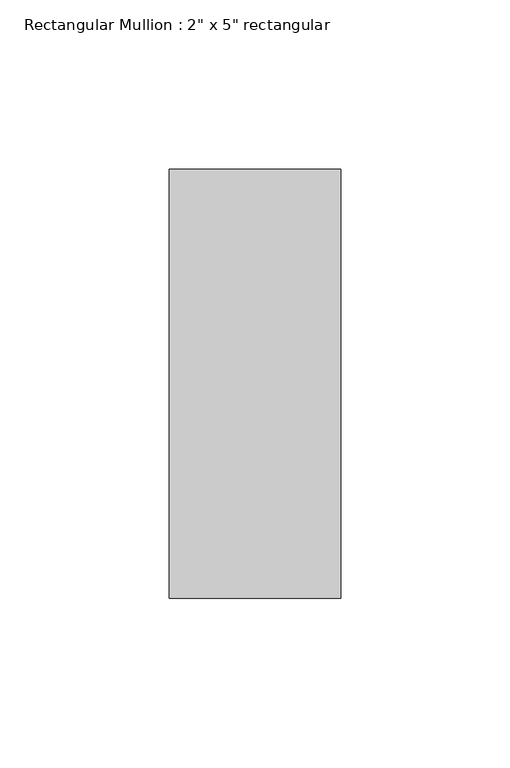
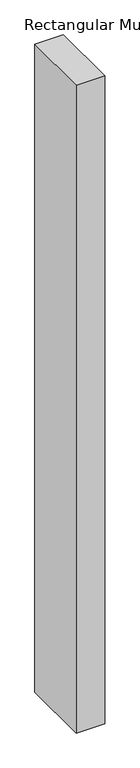
"""IFC4 building model written with IfcOpenShell, lengths in millimetres: member geometry."""

from ifc_helpers import new_model, si_unit, frame, origin, place, context, project, spatial, polyline, outline, extrude, source, transform, mapped, element, save


def member_eccd73d2(model_context):
    return source(origin(), model_context, "Body", "SweptSolid", [
        extrude(outline(polyline([(25.4, 63.5), (25.4, -63.5), (-25.4, -63.5), (-25.4, 63.5), (25.4, 63.5)])), frame((0.0, 0.0, -1219.2), z_axis=(0.0, 0.0, 1.0), x_axis=(1.0, 0.0, 0.0)), (0.0, 0.0, 1.0), 1219.2),
    ])


if __name__ == "__main__":
    model = new_model("IFC4")
    model_context = context("Model", 3, world=origin())
    ifc_project = project(units=[si_unit("LENGTHUNIT", "METRE", prefix="MILLI")], contexts=[model_context])
    site = spatial("IfcSite", under=ifc_project)
    building = spatial("IfcBuilding", under=site)
    placement = place(None, origin())
    member_shape = member_eccd73d2(model_context)
    element("IfcMember", 1, ObjectType="Rectangular Mullion : 2\" x 5\" rectangular", at=placement, inside=building, context=model_context, shape_type="MappedRepresentation", body=[
        mapped(member_shape, transform((0.0, 0.0, 0.0), x_axis=(1.0, 0.0, 0.0), y_axis=(0.0, 1.0, 0.0), z_axis=(0.0, 0.0, 1.0))),
    ])
    save(model, "model.ifc")
